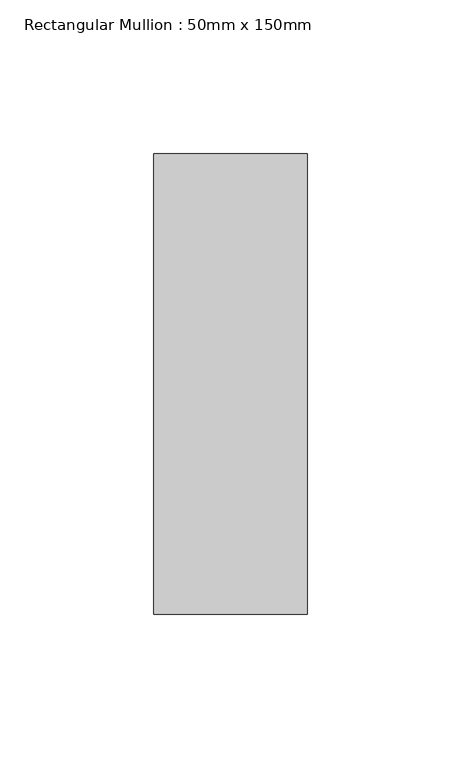
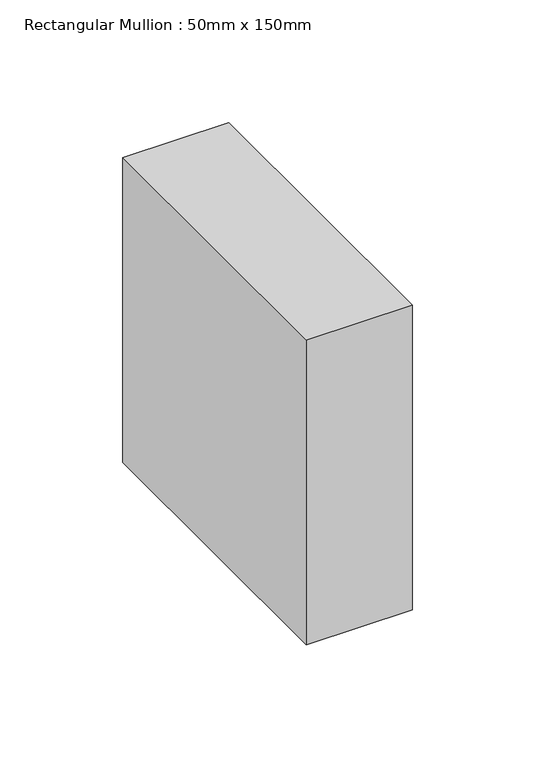
"""IFC4 building model written with IfcOpenShell, lengths in millimetres: member geometry, Rectangular Mullion : 50mm x 150mm."""

from ifc_helpers import new_model, si_unit, frame, origin, place, context, project, spatial, polyline, outline, extrude, source, transform, mapped, element, save


def rectangular_mullion_50mm_x_150mm_67c08b7d(model_context):
    return source(origin(), model_context, "Body", "SweptSolid", [
        extrude(outline(polyline([(25.0, 75.0), (25.0, -75.0), (-25.0, -75.0), (-25.0, 75.0), (25.0, 75.0)])), frame((0.0, 0.0, -152.0852446), z_axis=(0.0, 0.0, 1.0), x_axis=(1.0, 0.0, 0.0)), (0.0, 0.0, 1.0), 152.0852446),
    ])


if __name__ == "__main__":
    model = new_model("IFC4")
    model_context = context("Model", 3, world=origin())
    ifc_project = project(units=[si_unit("LENGTHUNIT", "METRE", prefix="MILLI")], contexts=[model_context])
    site = spatial("IfcSite", under=ifc_project)
    building = spatial("IfcBuilding", under=site)
    placement = place(None, origin())
    rectangular_mullion_50mm_x_150mm_shape = rectangular_mullion_50mm_x_150mm_67c08b7d(model_context)
    element("IfcMember", 1, ObjectType="Rectangular Mullion : 50mm x 150mm", at=placement, inside=building, context=model_context, shape_type="MappedRepresentation", body=[
        mapped(rectangular_mullion_50mm_x_150mm_shape, transform((0.0, 0.0, 0.0), x_axis=(1.0, 0.0, 0.0), y_axis=(0.0, 1.0, 0.0), z_axis=(0.0, 0.0, 1.0))),
    ])
    save(model, "model.ifc")
